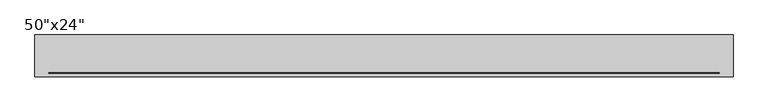
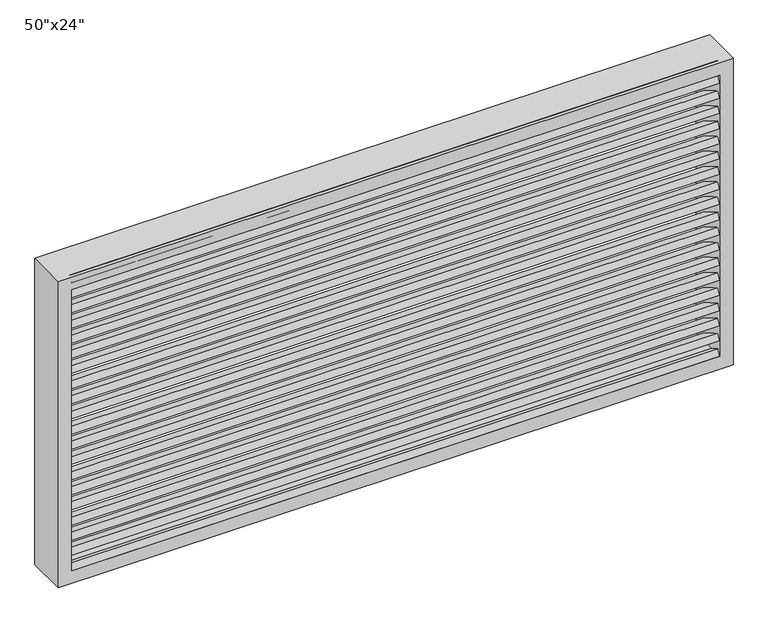
"""IFC4 building model written with IfcOpenShell, lengths in millimetres: proxy geometry."""

from ifc_helpers import new_model, si_unit, frame, origin, place, context, project, spatial, polyline, outline, extrude, source, transform, mapped, element, save


def proxy_6da579c3(model_context):
    return source(origin(), model_context, "Body", "SweptSolid", [
        extrude(outline(polyline([(0.0, 50.8), (1219.2, 50.8), (1219.2, 0.0), (0.0, 0.0), (0.0, 50.8)])), frame((-609.6, 229.0559095, 1368.4329786), z_axis=(0.0, 0.499999999999994, 0.8660254037844421), x_axis=(1.0, 0.0, 0.0)), (0.0, 0.0, 1.0), 12.7),
        extrude(outline(polyline([(0.0, 50.8), (1219.2, 50.8), (1219.2, 0.0), (0.0, 0.0), (0.0, 50.8)])), frame((-609.6, 229.0559095, 1338.2644798), z_axis=(0.0, 0.499999999999994, 0.8660254037844421), x_axis=(1.0, 0.0, 0.0)), (0.0, 0.0, 1.0), 12.7),
        extrude(outline(polyline([(0.0, 50.8), (1219.2, 50.8), (1219.2, 0.0), (0.0, 0.0), (0.0, 50.8)])), frame((-609.6, 229.0559095, 1308.0959809), z_axis=(0.0, 0.499999999999994, 0.8660254037844421), x_axis=(1.0, 0.0, 0.0)), (0.0, 0.0, 1.0), 12.7),
        extrude(outline(polyline([(0.0, 50.8), (1219.2, 50.8), (1219.2, 0.0), (0.0, 0.0), (0.0, 50.8)])), frame((-609.6, 229.0559095, 1277.9274821), z_axis=(0.0, 0.499999999999994, 0.8660254037844421), x_axis=(1.0, 0.0, 0.0)), (0.0, 0.0, 1.0), 12.7),
        extrude(outline(polyline([(0.0, 50.8), (1219.2, 50.8), (1219.2, 0.0), (0.0, 0.0), (0.0, 50.8)])), frame((-609.6, 229.0559095, 1247.7589833), z_axis=(0.0, 0.499999999999994, 0.8660254037844421), x_axis=(1.0, 0.0, 0.0)), (0.0, 0.0, 1.0), 12.7),
        extrude(outline(polyline([(0.0, 50.8), (1219.2, 50.8), (1219.2, 0.0), (0.0, 0.0), (0.0, 50.8)])), frame((-609.6, 229.0559095, 1217.5904845), z_axis=(0.0, 0.499999999999994, 0.8660254037844421), x_axis=(1.0, 0.0, 0.0)), (0.0, 0.0, 1.0), 12.7),
        extrude(outline(polyline([(0.0, 50.8), (1219.2, 50.8), (1219.2, 0.0), (0.0, 0.0), (0.0, 50.8)])), frame((-609.6, 229.0559095, 1187.4219857), z_axis=(0.0, 0.499999999999994, 0.8660254037844421), x_axis=(1.0, 0.0, 0.0)), (0.0, 0.0, 1.0), 12.7),
        extrude(outline(polyline([(0.0, 50.8), (1219.2, 50.8), (1219.2, 0.0), (0.0, 0.0), (0.0, 50.8)])), frame((-609.6, 229.0559095, 1157.2534869), z_axis=(0.0, 0.499999999999994, 0.8660254037844421), x_axis=(1.0, 0.0, 0.0)), (0.0, 0.0, 1.0), 12.7),
        extrude(outline(polyline([(0.0, 50.8), (1219.2, 50.8), (1219.2, 0.0), (0.0, 0.0), (0.0, 50.8)])), frame((-609.6, 229.0559095, 1127.0849881), z_axis=(0.0, 0.499999999999994, 0.8660254037844421), x_axis=(1.0, 0.0, 0.0)), (0.0, 0.0, 1.0), 12.7),
        extrude(outline(polyline([(0.0, 50.8), (1219.2, 50.8), (1219.2, 0.0), (0.0, 0.0), (0.0, 50.8)])), frame((-609.6, 229.0559095, 1096.9164893), z_axis=(0.0, 0.499999999999994, 0.8660254037844421), x_axis=(1.0, 0.0, 0.0)), (0.0, 0.0, 1.0), 12.7),
        extrude(outline(polyline([(0.0, 50.8), (1219.2, 50.8), (1219.2, 0.0), (0.0, 0.0), (0.0, 50.8)])), frame((-609.6, 229.0559095, 1066.7479905), z_axis=(0.0, 0.499999999999994, 0.8660254037844421), x_axis=(1.0, 0.0, 0.0)), (0.0, 0.0, 1.0), 12.7),
        extrude(outline(polyline([(0.0, 50.8), (1219.2, 50.8), (1219.2, 0.0), (0.0, 0.0), (0.0, 50.8)])), frame((-609.6, 229.0559095, 1036.5794917), z_axis=(0.0, 0.499999999999994, 0.8660254037844421), x_axis=(1.0, 0.0, 0.0)), (0.0, 0.0, 1.0), 12.7),
        extrude(outline(polyline([(0.0, 50.8), (1219.2, 50.8), (1219.2, 0.0), (0.0, 0.0), (0.0, 50.8)])), frame((-609.6, 229.0559095, 1006.4109929), z_axis=(0.0, 0.499999999999994, 0.8660254037844421), x_axis=(1.0, 0.0, 0.0)), (0.0, 0.0, 1.0), 12.7),
        extrude(outline(polyline([(0.0, 50.8), (1219.2, 50.8), (1219.2, 0.0), (0.0, 0.0), (0.0, 50.8)])), frame((-609.6, 229.0559095, 976.242494), z_axis=(0.0, 0.499999999999994, 0.8660254037844421), x_axis=(1.0, 0.0, 0.0)), (0.0, 0.0, 1.0), 12.7),
        extrude(outline(polyline([(0.0, 50.8), (1219.2, 50.8), (1219.2, 0.0), (0.0, 0.0), (0.0, 50.8)])), frame((-609.6, 229.0559095, 946.0739952), z_axis=(0.0, 0.499999999999994, 0.8660254037844421), x_axis=(1.0, 0.0, 0.0)), (0.0, 0.0, 1.0), 12.7),
        extrude(outline(polyline([(0.0, 50.8), (1219.2, 50.8), (1219.2, 0.0), (0.0, 0.0), (0.0, 50.8)])), frame((-609.6, 229.0559095, 915.9054964), z_axis=(0.0, 0.499999999999994, 0.8660254037844421), x_axis=(1.0, 0.0, 0.0)), (0.0, 0.0, 1.0), 12.7),
        extrude(outline(polyline([(0.0, 50.8), (1219.2, 50.8), (1219.2, 0.0), (0.0, 0.0), (0.0, 50.8)])), frame((-609.6, 229.0559095, 885.7369976), z_axis=(0.0, 0.499999999999994, 0.8660254037844421), x_axis=(1.0, 0.0, 0.0)), (0.0, 0.0, 1.0), 12.7),
        extrude(outline(polyline([(0.0, 50.8), (1219.2, 50.8), (1219.2, 0.0), (0.0, 0.0), (0.0, 50.8)])), frame((-609.6, 229.0559095, 855.5684988), z_axis=(0.0, 0.499999999999994, 0.8660254037844421), x_axis=(1.0, 0.0, 0.0)), (0.0, 0.0, 1.0), 12.7),
        extrude(outline(polyline([(0.0, 50.8), (1219.2, 50.8), (1219.2, 0.0), (0.0, 0.0), (0.0, 50.8)])), frame((-609.6, 229.0559095, 1398.6014774), z_axis=(0.0, 0.499999999999994, 0.8660254037844421), x_axis=(1.0, 0.0, 0.0)), (0.0, 0.0, 1.0), 12.7),
        extrude(outline(polyline([(0.0, 50.8), (1219.2, 50.8), (1219.2, 0.0), (0.0, 0.0), (0.0, 50.8)])), frame((-609.6, 229.0559095, 825.4), z_axis=(0.0, 0.499999999999994, 0.8660254037844421), x_axis=(1.0, 0.0, 0.0)), (0.0, 0.0, 1.0), 12.7),
        extrude(outline(polyline([(1409.6, -635.0), (800.0, -635.0), (800.0, 635.0), (1409.6, 635.0), (1409.6, -635.0)]), holes=[polyline([(1384.2, -609.6), (1384.2, 609.6), (825.4, 609.6), (825.4, -609.6), (1384.2, -609.6)])]), frame((0.0, 228.6, 0.0), z_axis=(0.0, 1.0, 0.0), x_axis=(0.0, 0.0, 1.0)), (0.0, 0.0, 1.0), 76.2),
    ])


if __name__ == "__main__":
    model = new_model("IFC4")
    model_context = context("Model", 3, world=origin())
    ifc_project = project(units=[si_unit("LENGTHUNIT", "METRE", prefix="MILLI")], contexts=[model_context])
    site = spatial("IfcSite", under=ifc_project)
    building = spatial("IfcBuilding", under=site)
    placement = place(None, origin())
    proxy_shape = proxy_6da579c3(model_context)
    element("IfcBuildingElementProxy", 1, Name="50\"x24\"", ObjectType="50\"x24\"", at=placement, inside=building, context=model_context, shape_type="MappedRepresentation", body=[
        mapped(proxy_shape, transform((0.0, 0.0, 0.0), x_axis=(1.0, 0.0, 0.0), y_axis=(0.0, 1.0, 0.0), z_axis=(0.0, 0.0, 1.0))),
    ])
    save(model, "model.ifc")
